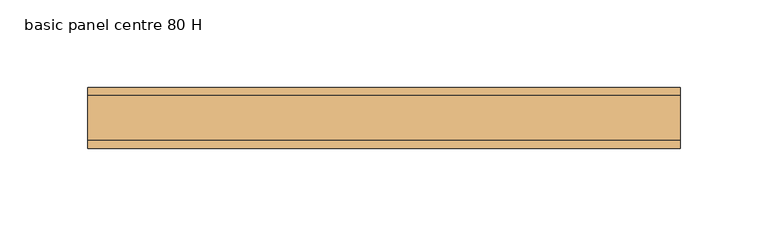
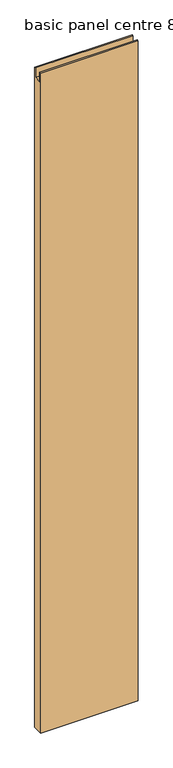
"""IFC4 building model written with IfcOpenShell, lengths in millimetres: door geometry, basic panel centre 80 H."""

from ifc_helpers import new_model, si_unit, frame, origin, place, context, project, spatial, polyline, outline, extrude, source, transform, mapped, element, save


def basic_panel_centre_80_h_bd017119(model_context):
    return source(origin(), model_context, "Body", "SweptSolid", [
        extrude(outline(polyline([(17.5, 11.0), (-17.5, 11.0), (-17.5, 2431.0), (-13.0, 2431.0), (-13.0, 2397.0), (13.0, 2397.0), (13.0, 2431.0), (17.5, 2431.0), (17.5, 11.0)])), frame((-169.2857143, 0.0, 0.0), z_axis=(1.0, 0.0, 0.0), x_axis=(0.0, 1.0, 0.0)), (0.0, 0.0, 1.0), 338.5714286),
    ])


if __name__ == "__main__":
    model = new_model("IFC4")
    model_context = context("Model", 3, world=origin())
    ifc_project = project(units=[si_unit("LENGTHUNIT", "METRE", prefix="MILLI")], contexts=[model_context])
    site = spatial("IfcSite", under=ifc_project)
    building = spatial("IfcBuilding", under=site)
    placement = place(None, origin())
    basic_panel_centre_80_h_shape = basic_panel_centre_80_h_bd017119(model_context)
    element("IfcDoor", 1, ObjectType="basic panel centre 80 H", at=placement, inside=building, context=model_context, shape_type="MappedRepresentation", body=[
        mapped(basic_panel_centre_80_h_shape, transform((0.0, 0.0, 0.0), x_axis=(1.0, 0.0, 0.0), y_axis=(0.0, 1.0, 0.0), z_axis=(0.0, 0.0, 1.0))),
    ])
    save(model, "model.ifc")
